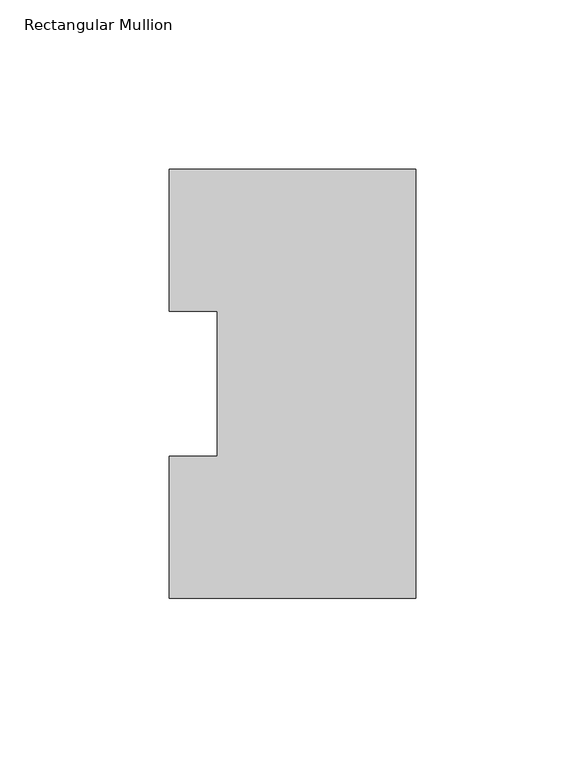
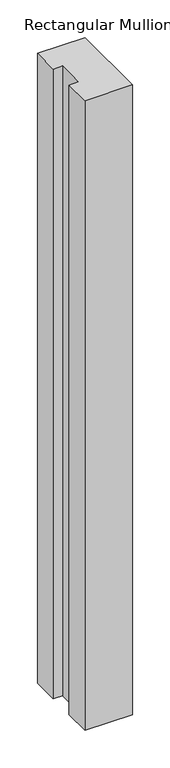
"""IFC4 building model written with IfcOpenShell, lengths in millimetres: member geometry, Rectangular Mullion."""

from ifc_helpers import new_model, si_unit, frame, origin, place, context, project, spatial, polyline, outline, extrude, source, transform, mapped, element, save


def rectangular_mullion_79cfd5b5(model_context):
    return source(origin(), model_context, "Body", "SweptSolid", [
        extrude(outline(polyline([(0.0, 127.00635), (0.0, 0.00635), (-73.025, 0.00635), (-73.025, 42.08145), (-58.7375, 42.08145), (-58.7375, 84.93125), (-73.025, 84.93125), (-73.025, 127.00635), (0.0, 127.00635)])), frame((0.0, 0.0, -1023.0275185), z_axis=(0.0, 0.0, 1.0), x_axis=(1.0, 0.0, 0.0)), (0.0, 0.0, 1.0), 1023.0275185),
    ])


if __name__ == "__main__":
    model = new_model("IFC4")
    model_context = context("Model", 3, world=origin())
    ifc_project = project(units=[si_unit("LENGTHUNIT", "METRE", prefix="MILLI")], contexts=[model_context])
    site = spatial("IfcSite", under=ifc_project)
    building = spatial("IfcBuilding", under=site)
    placement = place(None, origin())
    rectangular_mullion_shape = rectangular_mullion_79cfd5b5(model_context)
    element("IfcMember", 1, ObjectType="Rectangular Mullion", at=placement, inside=building, context=model_context, shape_type="MappedRepresentation", body=[
        mapped(rectangular_mullion_shape, transform((0.0, 0.0, 0.0), x_axis=(1.0, 0.0, 0.0), y_axis=(0.0, 1.0, 0.0), z_axis=(0.0, 0.0, 1.0))),
    ])
    save(model, "model.ifc")
